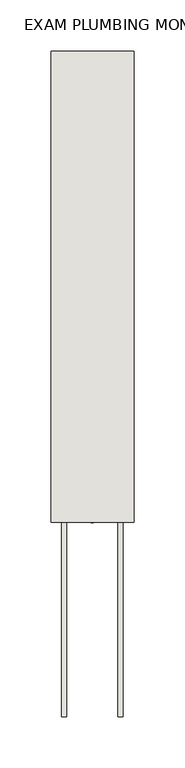
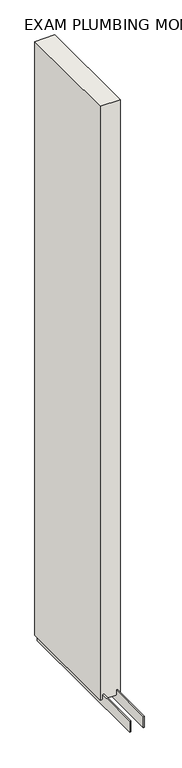
"""IFC4 building model written with IfcOpenShell, lengths in millimetres: wall geometry, EXAM PLUMBING MONO 285324 : EXAM PLUMBING MONO 285324."""

import ifcopenshell
import ifcopenshell.guid

model = None  # the IFC model being written
_history = None  # IfcOwnerHistory: only IFC2X3 demands one
_inside = {}  # id of a spatial element -> (the spatial element, [elements in it])
_under = {}  # id of a project, library or spatial element -> (it, [spatial elements below it])
_declared = {}  # id of a project -> (the project, [libraries it declares])
_typed = {}  # id of a type object -> (the type object, [elements of that type])
_made_of = {}  # id of a material, layer set ... -> (it, [elements and type objects made of it])


def new_model(schema):
    """Start an empty IFC model of exactly this schema.

    Asked for "IFC4X3", IfcOpenShell would pick the latest addendum, in which some entities
    have other attributes; the version numbers below select the first issue.
    IFC2X3 requires an IfcOwnerHistory on every rooted entity: one is made here for all.
    """
    global model, _history
    if schema == "IFC4X3":
        model = ifcopenshell.file(schema_version=(4, 3, 0, 0))
    else:
        model = ifcopenshell.file(schema=schema)
    _inside.clear()
    _under.clear()
    _declared.clear()
    _typed.clear()
    _made_of.clear()
    _history = None
    if model.schema == "IFC2X3":
        org = make("IfcOrganization", Name="unknown")
        user = make(
            "IfcPersonAndOrganization",
            ThePerson=make("IfcPerson", FamilyName="unknown"),
            TheOrganization=org,
        )
        app = make(
            "IfcApplication",
            ApplicationDeveloper=org,
            Version="unknown",
            ApplicationFullName="unknown",
            ApplicationIdentifier="unknown",
        )
        _history = make(
            "IfcOwnerHistory",
            OwningUser=user,
            OwningApplication=app,
            ChangeAction="ADDED",
            CreationDate=0,
        )
    return model


def make(cls, **values):
    """One entity of the class cls with the attributes given. An attribute that is None is left unset."""
    return model.create_entity(
        cls, **{name: value for name, value in values.items() if value is not None}
    )


def rooted(cls, **values):
    """An entity with a GlobalId (a new one), such as an element, a storey or a relation."""
    return make(cls, GlobalId=ifcopenshell.guid.new(), OwnerHistory=_history, **values)


def si_unit(unit_type, name, prefix=None):
    """IfcSIUnit, for example si_unit("LENGTHUNIT", "METRE", prefix="MILLI")."""
    return make("IfcSIUnit", UnitType=unit_type, Prefix=prefix, Name=name)


def assignment(units):
    """IfcUnitAssignment: the units of a project."""
    return None if units is None else make("IfcUnitAssignment", Units=units)


def point(xyz):
    """IfcCartesianPoint."""
    return None if xyz is None else make("IfcCartesianPoint", Coordinates=xyz)


def direction(xyz):
    """IfcDirection."""
    return None if xyz is None else make("IfcDirection", DirectionRatios=xyz)


def frame(location, z_axis=None, x_axis=None):
    """IfcAxis2Placement3D, a coordinate frame: its origin and axes. An axis left out is left unset."""
    return make(
        "IfcAxis2Placement3D",
        Location=point(location),
        Axis=direction(z_axis),
        RefDirection=direction(x_axis),
    )


def origin():
    """The frame at (0, 0, 0) with its axes left unset."""
    return frame((0.0, 0.0, 0.0))


def place(relative_to, where):
    """IfcLocalPlacement: puts the frame where relative to a parent placement (None: the world)."""
    return make(
        "IfcLocalPlacement", PlacementRelTo=relative_to, RelativePlacement=where
    )


def context(
    kind, dimensions, precision=None, world=None, true_north=None, identifier=None
):
    """IfcGeometricRepresentationContext, for example the 3D "Model" context."""
    return make(
        "IfcGeometricRepresentationContext",
        ContextIdentifier=identifier,
        ContextType=kind,
        CoordinateSpaceDimension=dimensions,
        Precision=precision,
        WorldCoordinateSystem=world,
        TrueNorth=true_north,
    )


def project(units=None, contexts=None):
    """IfcProject with its units and contexts."""
    return rooted(
        "IfcProject",
        Name="project",
        RepresentationContexts=contexts,
        UnitsInContext=assignment(units),
    )


def spatial(cls, under=None, at=None, **own):
    """A site, building, storey or space (cls), placed at a placement, below another one or the project."""
    s = rooted(cls, ObjectPlacement=at, **own)
    if under is not None:
        _under.setdefault(under.id(), (under, []))[1].append(s)
    return s


def polyline(points):
    """IfcPolyline through the points."""
    return make("IfcPolyline", Points=[point(p) for p in points])


def outline(outer, holes=None, kind="AREA"):
    """IfcArbitraryClosedProfileDef: a profile drawn as a closed curve; with holes, ...WithVoids."""
    if holes is None:
        return make("IfcArbitraryClosedProfileDef", ProfileType=kind, OuterCurve=outer)
    return make(
        "IfcArbitraryProfileDefWithVoids",
        ProfileType=kind,
        OuterCurve=outer,
        InnerCurves=holes,
    )


def extrude(swept, where, along, depth):
    """IfcExtrudedAreaSolid: the profile swept, set in the frame where, extruded along a direction by depth."""
    return make(
        "IfcExtrudedAreaSolid",
        SweptArea=swept,
        Position=where,
        ExtrudedDirection=direction(along),
        Depth=depth,
    )


def shape(context_of_items, identifier, shape_type, items):
    """IfcShapeRepresentation: the items that make up one representation, for example the "Body"."""
    return make(
        "IfcShapeRepresentation",
        ContextOfItems=context_of_items,
        RepresentationIdentifier=identifier,
        RepresentationType=shape_type,
        Items=items,
    )


def source(mapping_origin, context_of_items, identifier, shape_type, items):
    """IfcRepresentationMap: a shape defined once, which mapped items show again and again."""
    return make(
        "IfcRepresentationMap",
        MappingOrigin=mapping_origin,
        MappedRepresentation=shape(context_of_items, identifier, shape_type, items),
    )


def transform(
    local_origin,
    x_axis=None,
    y_axis=None,
    z_axis=None,
    scale=None,
    scale2=None,
    scale3=None,
    uniform=True,
):
    """IfcCartesianTransformationOperator3D, or its non-uniform kind. x_axis, y_axis, z_axis: its Axis1, 2, 3."""
    if uniform:
        return make(
            "IfcCartesianTransformationOperator3D",
            Axis1=direction(x_axis),
            Axis2=direction(y_axis),
            LocalOrigin=point(local_origin),
            Scale=scale,
            Axis3=direction(z_axis),
        )
    return make(
        "IfcCartesianTransformationOperator3DnonUniform",
        Axis1=direction(x_axis),
        Axis2=direction(y_axis),
        LocalOrigin=point(local_origin),
        Scale=scale,
        Axis3=direction(z_axis),
        Scale2=scale2,
        Scale3=scale3,
    )


def mapped(mapping_source, mapping_target):
    """IfcMappedItem: shows the shape of a source again, moved by a transform."""
    return make(
        "IfcMappedItem", MappingSource=mapping_source, MappingTarget=mapping_target
    )


def made_of(thing, what):
    """Note that an element or type object is made of a material, layer set ...; save() writes the relation."""
    if what is not None:
        _made_of.setdefault(what.id(), (what, []))[1].append(thing)
    return thing


def element(
    cls,
    number,
    at=None,
    inside=None,
    cuts=None,
    type_object=None,
    material=None,
    context=None,
    identifier="Body",
    shape_type=None,
    held_by="IfcProductDefinitionShape",
    body=None,
    shapes=None,
    **own,
):
    """One element of the class cls, such as IfcWall. Its Tag is "e" and its number.

    at: its placement. inside: the storey or other place that contains it. cuts: it is an
    opening in that element (IfcRelVoidsElement). A single representation is given by context,
    identifier, shape_type and body (its items); several are given by shapes. held_by: the class
    of the entity that holds the representations. save() writes the other relations.
    """
    e = rooted(cls, Tag="e%d" % number, ObjectPlacement=at, **own)
    if body is not None:
        shapes = [shape(context, identifier, shape_type, body)]
    if shapes is not None:
        e.Representation = make(held_by, Representations=shapes)
    if inside is not None:
        _inside.setdefault(inside.id(), (inside, []))[1].append(e)
    if cuts is not None:
        rooted(
            "IfcRelVoidsElement", RelatingBuildingElement=cuts, RelatedOpeningElement=e
        )
    if type_object is not None:
        _typed.setdefault(type_object.id(), (type_object, []))[1].append(e)
    return made_of(e, material)


def aggregate(whole, parts):
    """IfcRelAggregates: a whole, such as a stair, and the parts it consists of."""
    return rooted("IfcRelAggregates", RelatingObject=whole, RelatedObjects=parts)


def save(model, path):
    """Write the relations noted so far, then the file.

    IfcRelAggregates (storeys below a building ...), IfcRelContainedInSpatialStructure (elements
    in a storey), IfcRelDefinesByType, IfcRelAssociatesMaterial and IfcRelDeclares: one each for
    every whole, place, type object, material and project.
    """
    for whole, parts in _under.values():
        aggregate(whole, parts)
    for where, things in _inside.values():
        rooted(
            "IfcRelContainedInSpatialStructure",
            RelatedElements=things,
            RelatingStructure=where,
        )
    for kind, things in _typed.values():
        rooted("IfcRelDefinesByType", RelatedObjects=things, RelatingType=kind)
    for what, things in _made_of.values():
        rooted("IfcRelAssociatesMaterial", RelatedObjects=things, RelatingMaterial=what)
    for by, libraries in _declared.values():
        rooted("IfcRelDeclares", RelatingContext=by, RelatedDefinitions=libraries)
    model.write(path)


def exam_plumbing_mono_285324_exam_plumbing_mono_285324_f620be12(model_context):
    return source(origin(), model_context, "Body", "SweptSolid", [
        extrude(outline(polyline([(78033.282211, -51804.231418), (78033.282211, -51806.771418), (78030.742211, -51806.771418), (78030.742211, -51804.231418), (78033.282211, -51804.231418)])), frame((0.0, 0.0, 4419.6), z_axis=(0.0, 0.0, 1.0), x_axis=(1.0, 0.0, 0.0)), (0.0, 0.0, 1.0), 2.54),
        extrude(outline(polyline([(78006.9284664, -51345.2628414), (78006.9284664, -51997.2788602), (78001.849711, -51997.2788602), (78001.849711, -51345.2628414), (78006.9284664, -51345.2628414)])), frame((0.0, 0.0, 4418.6602), z_axis=(0.0, 0.0, 1.0), x_axis=(1.0, 0.0, 0.0)), (0.0, 0.0, 1.0), 47.625),
        extrude(outline(polyline([(78006.9284664, -51345.2628414), (78006.9284664, -51997.2788602), (78001.849711, -51997.2788602), (78001.849711, -51345.2628414), (78006.9284664, -51345.2628414)])), frame((0.0, 0.0, 4418.6602), z_axis=(0.0, 0.0, 1.0), x_axis=(1.0, 0.0, 0.0)), (0.0, 0.0, 1.0), 47.625),
        extrude(outline(polyline([(78057.0959556, -51997.2788602), (78057.0959556, -51345.2628414), (78062.174711, -51345.2628414), (78062.174711, -51997.2788602), (78057.0959556, -51997.2788602)])), frame((0.0, 0.0, 4418.6602), z_axis=(0.0, 0.0, 1.0), x_axis=(1.0, 0.0, 0.0)), (0.0, 0.0, 1.0), 47.625),
        extrude(outline(polyline([(78057.0959556, -51997.2788602), (78057.0959556, -51345.2628414), (78062.174711, -51345.2628414), (78062.174711, -51997.2788602), (78057.0959556, -51997.2788602)])), frame((0.0, 0.0, 4418.6602), z_axis=(0.0, 0.0, 1.0), x_axis=(1.0, 0.0, 0.0)), (0.0, 0.0, 1.0), 47.625),
        extrude(outline(polyline([(77991.3573266, -51345.2628414), (78072.6670954, -51345.2628414), (78072.6670954, -51806.7788602), (77991.3573266, -51806.7788602), (77991.3573266, -51345.2628414)])), frame((0.0, 0.0, 4445.0), z_axis=(0.0, 0.0, 1.0), x_axis=(1.0, 0.0, 0.0)), (0.0, 0.0, 1.0), 2562.4536762),
    ])


if __name__ == "__main__":
    model = new_model("IFC4")
    model_context = context("Model", 3, world=origin())
    ifc_project = project(units=[si_unit("LENGTHUNIT", "METRE", prefix="MILLI")], contexts=[model_context])
    site = spatial("IfcSite", under=ifc_project)
    building = spatial("IfcBuilding", under=site)
    placement = place(None, origin())
    exam_plumbing_mono_285324_exam_plumbing_mono_285324_shape = exam_plumbing_mono_285324_exam_plumbing_mono_285324_f620be12(model_context)
    element("IfcWall", 1, ObjectType="EXAM PLUMBING MONO 285324 : EXAM PLUMBING MONO 285324", at=placement, inside=building, context=model_context, shape_type="MappedRepresentation", body=[
        mapped(exam_plumbing_mono_285324_exam_plumbing_mono_285324_shape, transform((0.0, 0.0, 0.0), x_axis=(1.0, 0.0, 0.0), y_axis=(0.0, 1.0, 0.0), z_axis=(0.0, 0.0, 1.0))),
    ])
    save(model, "model.ifc")
